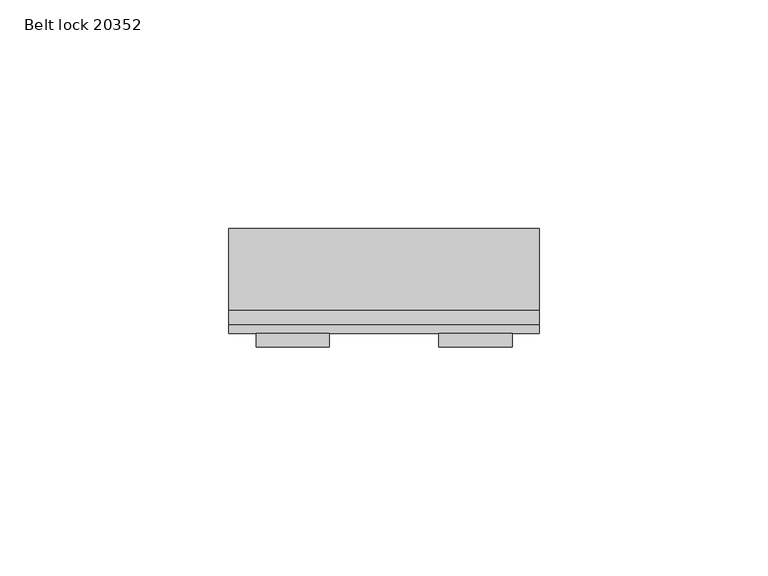
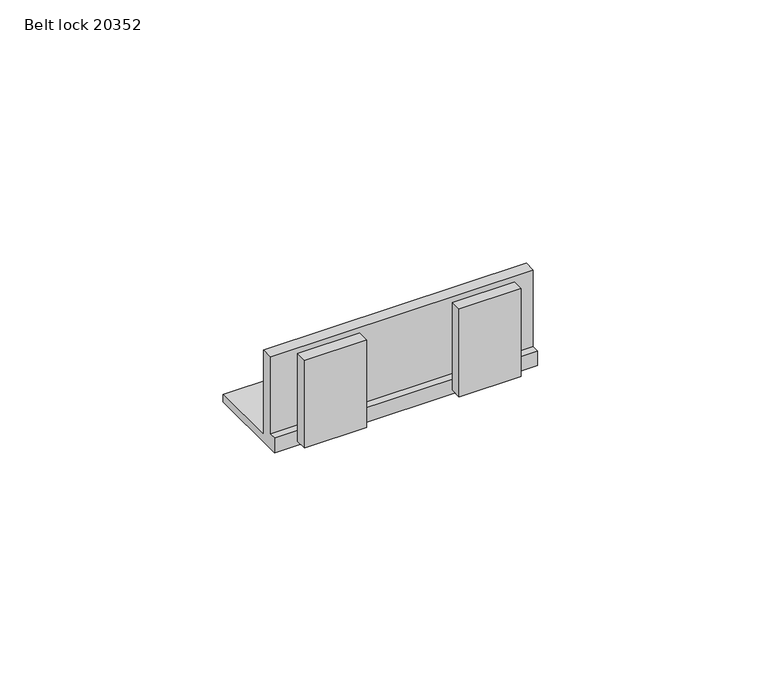
"""IFC4 building model written with IfcOpenShell, lengths in millimetres: proxy geometry, Belt lock 20352."""

from ifc_helpers import new_model, si_unit, frame, origin, place, context, project, spatial, polyline, outline, extrude, source, transform, mapped, element, save


def belt_lock_20352_72c9749a(model_context):
    return source(origin(), model_context, "Body", "SweptSolid", [
        extrude(outline(polyline([(10.75, -22.0), (-5.25, -22.0), (-5.25, -19.0), (10.75, -19.0), (10.75, -22.0)])), frame((0.0, 0.0, 1.0), z_axis=(0.0, 0.0, 1.0), x_axis=(1.0, 0.0, 0.0)), (0.0, 0.0, 1.0), 24.0),
        extrude(outline(polyline([(-29.25, -22.0), (-45.25, -22.0), (-45.25, -19.0), (-29.25, -19.0), (-29.25, -22.0)])), frame((0.0, 0.0, 1.0), z_axis=(0.0, 0.0, 1.0), x_axis=(1.0, 0.0, 0.0)), (0.0, 0.0, 1.0), 24.0),
        extrude(outline(polyline([(-14.0, 2.0), (4.0, 2.0), (4.0, 0.0), (-17.0, 0.0), (-19.0, 0.0), (-19.0, 3.9847617), (-17.0, 3.9847617), (-17.0, 25.0), (-14.0, 25.0), (-14.0, 2.0)])), frame((-51.25, 0.0, 0.0), z_axis=(1.0, 0.0, 0.0), x_axis=(0.0, 1.0, 0.0)), (0.0, 0.0, 1.0), 68.0),
    ])


if __name__ == "__main__":
    model = new_model("IFC4")
    model_context = context("Model", 3, world=origin())
    ifc_project = project(units=[si_unit("LENGTHUNIT", "METRE", prefix="MILLI")], contexts=[model_context])
    site = spatial("IfcSite", under=ifc_project)
    building = spatial("IfcBuilding", under=site)
    placement = place(None, origin())
    belt_lock_20352_shape = belt_lock_20352_72c9749a(model_context)
    element("IfcBuildingElementProxy", 1, Name="Belt lock 20352", ObjectType="Belt lock 20352", at=placement, inside=building, context=model_context, shape_type="MappedRepresentation", body=[
        mapped(belt_lock_20352_shape, transform((0.0, 0.0, 0.0), x_axis=(1.0, 0.0, 0.0), y_axis=(0.0, 1.0, 0.0), z_axis=(0.0, 0.0, 1.0))),
    ])
    save(model, "model.ifc")
